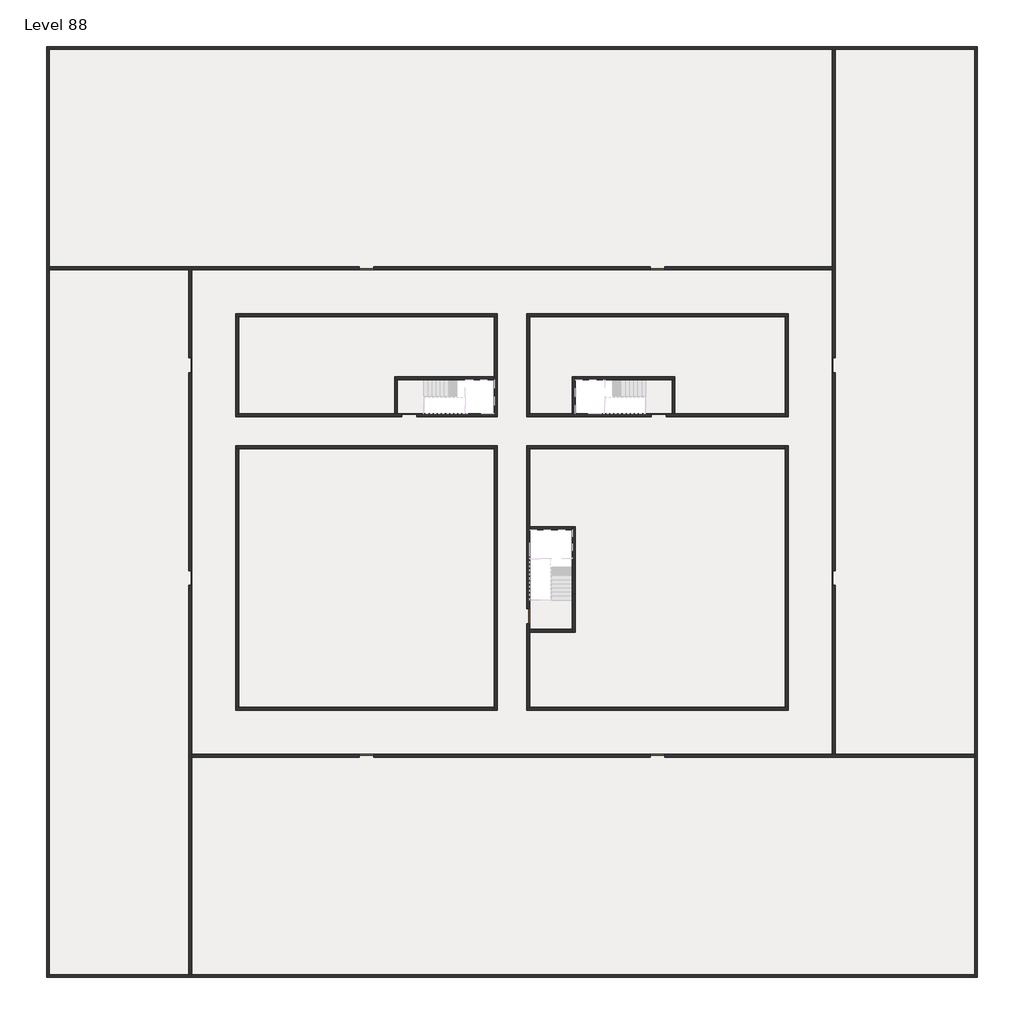
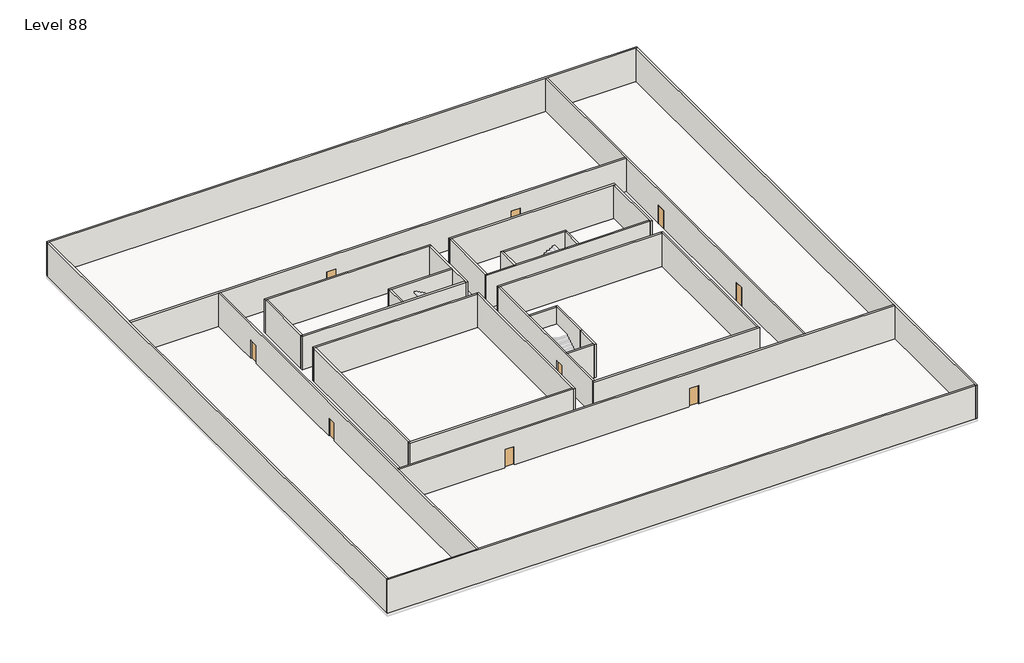
# One storey, part 1 of 2: 33 walls, 11 doors.
"""IFC4 building model written with IfcOpenShell, lengths in millimetres."""

import ifcopenshell
import ifcopenshell.guid

model = None  # the IFC model being written
_history = None  # IfcOwnerHistory: only IFC2X3 demands one
_inside = {}  # id of a spatial element -> (the spatial element, [elements in it])
_under = {}  # id of a project, library or spatial element -> (it, [spatial elements below it])
_declared = {}  # id of a project -> (the project, [libraries it declares])
_typed = {}  # id of a type object -> (the type object, [elements of that type])
_made_of = {}  # id of a material, layer set ... -> (it, [elements and type objects made of it])


def new_model(schema):
    """Start an empty IFC model of exactly this schema.

    Asked for "IFC4X3", IfcOpenShell would pick the latest addendum, in which some entities
    have other attributes; the version numbers below select the first issue.
    IFC2X3 requires an IfcOwnerHistory on every rooted entity: one is made here for all.
    """
    global model, _history
    if schema == "IFC4X3":
        model = ifcopenshell.file(schema_version=(4, 3, 0, 0))
    else:
        model = ifcopenshell.file(schema=schema)
    _inside.clear()
    _under.clear()
    _declared.clear()
    _typed.clear()
    _made_of.clear()
    _history = None
    if model.schema == "IFC2X3":
        org = make("IfcOrganization", Name="unknown")
        user = make(
            "IfcPersonAndOrganization",
            ThePerson=make("IfcPerson", FamilyName="unknown"),
            TheOrganization=org,
        )
        app = make(
            "IfcApplication",
            ApplicationDeveloper=org,
            Version="unknown",
            ApplicationFullName="unknown",
            ApplicationIdentifier="unknown",
        )
        _history = make(
            "IfcOwnerHistory",
            OwningUser=user,
            OwningApplication=app,
            ChangeAction="ADDED",
            CreationDate=0,
        )
    return model


def make(cls, **values):
    """One entity of the class cls with the attributes given. An attribute that is None is left unset."""
    return model.create_entity(
        cls, **{name: value for name, value in values.items() if value is not None}
    )


def rooted(cls, **values):
    """An entity with a GlobalId (a new one), such as an element, a storey or a relation."""
    return make(cls, GlobalId=ifcopenshell.guid.new(), OwnerHistory=_history, **values)


def si_unit(unit_type, name, prefix=None):
    """IfcSIUnit, for example si_unit("LENGTHUNIT", "METRE", prefix="MILLI")."""
    return make("IfcSIUnit", UnitType=unit_type, Prefix=prefix, Name=name)


def assignment(units):
    """IfcUnitAssignment: the units of a project."""
    return None if units is None else make("IfcUnitAssignment", Units=units)


def point(xyz):
    """IfcCartesianPoint."""
    return None if xyz is None else make("IfcCartesianPoint", Coordinates=xyz)


def direction(xyz):
    """IfcDirection."""
    return None if xyz is None else make("IfcDirection", DirectionRatios=xyz)


def frame(location, z_axis=None, x_axis=None):
    """IfcAxis2Placement3D, a coordinate frame: its origin and axes. An axis left out is left unset."""
    return make(
        "IfcAxis2Placement3D",
        Location=point(location),
        Axis=direction(z_axis),
        RefDirection=direction(x_axis),
    )


def origin():
    """The frame at (0, 0, 0) with its axes left unset."""
    return frame((0.0, 0.0, 0.0))


def origin_with_axes():
    """The frame at (0, 0, 0) with the z axis (0, 0, 1) and the x axis (1, 0, 0) written out."""
    return frame((0.0, 0.0, 0.0), z_axis=(0.0, 0.0, 1.0), x_axis=(1.0, 0.0, 0.0))


def place(relative_to, where):
    """IfcLocalPlacement: puts the frame where relative to a parent placement (None: the world)."""
    return make(
        "IfcLocalPlacement", PlacementRelTo=relative_to, RelativePlacement=where
    )


def context(
    kind, dimensions, precision=None, world=None, true_north=None, identifier=None
):
    """IfcGeometricRepresentationContext, for example the 3D "Model" context."""
    return make(
        "IfcGeometricRepresentationContext",
        ContextIdentifier=identifier,
        ContextType=kind,
        CoordinateSpaceDimension=dimensions,
        Precision=precision,
        WorldCoordinateSystem=world,
        TrueNorth=true_north,
    )


def project(units=None, contexts=None):
    """IfcProject with its units and contexts."""
    return rooted(
        "IfcProject",
        Name="project",
        RepresentationContexts=contexts,
        UnitsInContext=assignment(units),
    )


def spatial(cls, under=None, at=None, **own):
    """A site, building, storey or space (cls), placed at a placement, below another one or the project."""
    s = rooted(cls, ObjectPlacement=at, **own)
    if under is not None:
        _under.setdefault(under.id(), (under, []))[1].append(s)
    return s


def polyline(points):
    """IfcPolyline through the points."""
    return make("IfcPolyline", Points=[point(p) for p in points])


def outline(outer, holes=None, kind="AREA"):
    """IfcArbitraryClosedProfileDef: a profile drawn as a closed curve; with holes, ...WithVoids."""
    if holes is None:
        return make("IfcArbitraryClosedProfileDef", ProfileType=kind, OuterCurve=outer)
    return make(
        "IfcArbitraryProfileDefWithVoids",
        ProfileType=kind,
        OuterCurve=outer,
        InnerCurves=holes,
    )


def extrude(swept, where, along, depth):
    """IfcExtrudedAreaSolid: the profile swept, set in the frame where, extruded along a direction by depth."""
    return make(
        "IfcExtrudedAreaSolid",
        SweptArea=swept,
        Position=where,
        ExtrudedDirection=direction(along),
        Depth=depth,
    )


def faces_of(points, faces, orient=None, outer=None):
    """IfcFace entities. A face is a list of loops; a loop is a list of indices into points, from 0.

    orient and outer hold one flag for each loop. By default every Orientation is true, the
    first loop of a face is its IfcFaceOuterBound and the others are IfcFaceBound.
    """
    made = []
    for i, loops in enumerate(faces):
        bounds = []
        for j, loop in enumerate(loops):
            is_outer = j == 0 if outer is None else outer[i][j]
            bounds.append(
                make(
                    "IfcFaceOuterBound" if is_outer else "IfcFaceBound",
                    Bound=make("IfcPolyLoop", Polygon=[points[k] for k in loop]),
                    Orientation=True if orient is None else orient[i][j],
                )
            )
        made.append(make("IfcFace", Bounds=bounds))
    return made


def faceted_brep(points, faces, orient=None, outer=None, voids=None):
    """IfcFacetedBrep: a solid bounded by flat faces; with voids (closed shells), ...WithVoids."""
    shared = [point(p) for p in points]
    hull = make("IfcClosedShell", CfsFaces=faces_of(shared, faces, orient, outer))
    if voids is None:
        return make("IfcFacetedBrep", Outer=hull)
    return make(
        "IfcFacetedBrepWithVoids",
        Outer=hull,
        Voids=[
            make(cls, CfsFaces=faces_of(shared, fs, o, b)) for cls, fs, o, b in voids
        ],
    )


def shape(context_of_items, identifier, shape_type, items):
    """IfcShapeRepresentation: the items that make up one representation, for example the "Body"."""
    return make(
        "IfcShapeRepresentation",
        ContextOfItems=context_of_items,
        RepresentationIdentifier=identifier,
        RepresentationType=shape_type,
        Items=items,
    )


def source(mapping_origin, context_of_items, identifier, shape_type, items):
    """IfcRepresentationMap: a shape defined once, which mapped items show again and again."""
    return make(
        "IfcRepresentationMap",
        MappingOrigin=mapping_origin,
        MappedRepresentation=shape(context_of_items, identifier, shape_type, items),
    )


def transform(
    local_origin,
    x_axis=None,
    y_axis=None,
    z_axis=None,
    scale=None,
    scale2=None,
    scale3=None,
    uniform=True,
):
    """IfcCartesianTransformationOperator3D, or its non-uniform kind. x_axis, y_axis, z_axis: its Axis1, 2, 3."""
    if uniform:
        return make(
            "IfcCartesianTransformationOperator3D",
            Axis1=direction(x_axis),
            Axis2=direction(y_axis),
            LocalOrigin=point(local_origin),
            Scale=scale,
            Axis3=direction(z_axis),
        )
    return make(
        "IfcCartesianTransformationOperator3DnonUniform",
        Axis1=direction(x_axis),
        Axis2=direction(y_axis),
        LocalOrigin=point(local_origin),
        Scale=scale,
        Axis3=direction(z_axis),
        Scale2=scale2,
        Scale3=scale3,
    )


def mapped(mapping_source, mapping_target):
    """IfcMappedItem: shows the shape of a source again, moved by a transform."""
    return make(
        "IfcMappedItem", MappingSource=mapping_source, MappingTarget=mapping_target
    )


def made_of(thing, what):
    """Note that an element or type object is made of a material, layer set ...; save() writes the relation."""
    if what is not None:
        _made_of.setdefault(what.id(), (what, []))[1].append(thing)
    return thing


def element(
    cls,
    number,
    at=None,
    inside=None,
    cuts=None,
    type_object=None,
    material=None,
    context=None,
    identifier="Body",
    shape_type=None,
    held_by="IfcProductDefinitionShape",
    body=None,
    shapes=None,
    **own,
):
    """One element of the class cls, such as IfcWall. Its Tag is "e" and its number.

    at: its placement. inside: the storey or other place that contains it. cuts: it is an
    opening in that element (IfcRelVoidsElement). A single representation is given by context,
    identifier, shape_type and body (its items); several are given by shapes. held_by: the class
    of the entity that holds the representations. save() writes the other relations.
    """
    e = rooted(cls, Tag="e%d" % number, ObjectPlacement=at, **own)
    if body is not None:
        shapes = [shape(context, identifier, shape_type, body)]
    if shapes is not None:
        e.Representation = make(held_by, Representations=shapes)
    if inside is not None:
        _inside.setdefault(inside.id(), (inside, []))[1].append(e)
    if cuts is not None:
        rooted(
            "IfcRelVoidsElement", RelatingBuildingElement=cuts, RelatedOpeningElement=e
        )
    if type_object is not None:
        _typed.setdefault(type_object.id(), (type_object, []))[1].append(e)
    return made_of(e, material)


def aggregate(whole, parts):
    """IfcRelAggregates: a whole, such as a stair, and the parts it consists of."""
    return rooted("IfcRelAggregates", RelatingObject=whole, RelatedObjects=parts)


def save(model, path):
    """Write the relations noted so far, then the file.

    IfcRelAggregates (storeys below a building ...), IfcRelContainedInSpatialStructure (elements
    in a storey), IfcRelDefinesByType, IfcRelAssociatesMaterial and IfcRelDeclares: one each for
    every whole, place, type object, material and project.
    """
    for whole, parts in _under.values():
        aggregate(whole, parts)
    for where, things in _inside.values():
        rooted(
            "IfcRelContainedInSpatialStructure",
            RelatedElements=things,
            RelatingStructure=where,
        )
    for kind, things in _typed.values():
        rooted("IfcRelDefinesByType", RelatedObjects=things, RelatingType=kind)
    for what, things in _made_of.values():
        rooted("IfcRelAssociatesMaterial", RelatedObjects=things, RelatingMaterial=what)
    for by, libraries in _declared.values():
        rooted("IfcRelDeclares", RelatingContext=by, RelatedDefinitions=libraries)
    model.write(path)


def door_fb3c37fd(model_context):
    return source(origin(), model_context, "Body", "SweptSolid", [
        extrude(outline(polyline([(500.0, 49.0), (-500.0, 49.0), (-500.0, 100.0), (500.0, 100.0), (500.0, 49.0)])), origin_with_axes(), (0.0, 0.0, 1.0), 2100.0),
    ])


def door_0317a72c(model_context):
    return source(origin(), model_context, "Body", "SweptSolid", [
        extrude(outline(polyline([(500.0, -49.0), (500.0, -100.0), (-500.0, -100.0), (-500.0, -49.0), (500.0, -49.0)])), origin_with_axes(), (0.0, 0.0, 1.0), 2100.0),
    ])


model = new_model("IFC4")

# Units and contexts
model_context = context("Model", 3, world=origin())
ifc_project = project(units=[si_unit("LENGTHUNIT", "METRE", prefix="MILLI")], contexts=[model_context])

# Site, building, storey
site = spatial("IfcSite", under=ifc_project)
building = spatial("IfcBuilding", under=site)
storey = spatial("IfcBuildingStorey", under=building, Name="Level 88", Elevation=330600.0)

# Doors
placement = place(None, origin())
door_shape = door_fb3c37fd(model_context)
element("IfcDoor", 1, at=placement, inside=storey, context=model_context, shape_type="MappedRepresentation", body=[
    mapped(door_shape, transform((34190.1058784, -30618.09644, 330600.0), x_axis=(1.0, 0.0, 0.0), y_axis=(0.0, 1.0, 0.0), z_axis=(0.0, 0.0, 1.0))),
])
element("IfcDoor", 2, at=placement, inside=storey, context=model_context, shape_type="MappedRepresentation", body=[
    mapped(door_shape, transform((25290.1058784, -44318.09644, 330600.0), x_axis=(0.0, -1.0, 0.0), y_axis=(1.0, 0.0, 0.0), z_axis=(0.0, 0.0, 1.0))),
])
element("IfcDoor", 3, at=placement, inside=storey, context=model_context, shape_type="MappedRepresentation", body=[
    mapped(door_shape, transform((2290.1058784, -41718.09644, 330600.0), x_axis=(0.0, -1.0, 0.0), y_axis=(1.0, 0.0, 0.0), z_axis=(0.0, 0.0, 1.0))),
])
element("IfcDoor", 4, at=placement, inside=storey, context=model_context, shape_type="MappedRepresentation", body=[
    mapped(door_shape, transform((2290.1058784, -27218.09644, 330600.0), x_axis=(0.0, -1.0, 0.0), y_axis=(1.0, 0.0, 0.0), z_axis=(0.0, 0.0, 1.0))),
])
element("IfcDoor", 5, at=placement, inside=storey, context=model_context, shape_type="MappedRepresentation", body=[
    mapped(door_shape, transform((14290.1058784, -20618.09644, 330600.0), x_axis=(-1.0, 0.0, 0.0), y_axis=(0.0, -1.0, 0.0), z_axis=(0.0, 0.0, 1.0))),
])
element("IfcDoor", 6, at=placement, inside=storey, context=model_context, shape_type="MappedRepresentation", body=[
    mapped(door_shape, transform((34090.1058784, -20618.09644, 330600.0), x_axis=(-1.0, 0.0, 0.0), y_axis=(0.0, -1.0, 0.0), z_axis=(0.0, 0.0, 1.0))),
])
element("IfcDoor", 7, at=placement, inside=storey, context=model_context, shape_type="MappedRepresentation", body=[
    mapped(door_shape, transform((46090.1058784, -27218.09644, 330600.0), x_axis=(0.0, 1.0, 0.0), y_axis=(-1.0, 0.0, 0.0), z_axis=(0.0, 0.0, 1.0))),
])
element("IfcDoor", 8, at=placement, inside=storey, context=model_context, shape_type="MappedRepresentation", body=[
    mapped(door_shape, transform((46090.1058784, -41718.09644, 330600.0), x_axis=(0.0, 1.0, 0.0), y_axis=(-1.0, 0.0, 0.0), z_axis=(0.0, 0.0, 1.0))),
])
element("IfcDoor", 9, at=placement, inside=storey, context=model_context, shape_type="MappedRepresentation", body=[
    mapped(door_shape, transform((34090.1058784, -53818.09644, 330600.0), x_axis=(1.0, 0.0, 0.0), y_axis=(0.0, 1.0, 0.0), z_axis=(0.0, 0.0, 1.0))),
])
element("IfcDoor", 10, at=placement, inside=storey, context=model_context, shape_type="MappedRepresentation", body=[
    mapped(door_shape, transform((14290.1058784, -53818.09644, 330600.0), x_axis=(1.0, 0.0, 0.0), y_axis=(0.0, 1.0, 0.0), z_axis=(0.0, 0.0, 1.0))),
])
door_2_shape = door_0317a72c(model_context)
element("IfcDoor", 11, at=placement, inside=storey, context=model_context, shape_type="MappedRepresentation", body=[
    mapped(door_2_shape, transform((17190.1058784, -30618.09644, 330600.0), x_axis=(-1.0, 0.0, 0.0), y_axis=(0.0, -1.0, 0.0), z_axis=(0.0, 0.0, 1.0))),
])

# Walls
element("IfcWall", 12, at=placement, inside=storey, context=model_context, shape_type="Brep", body=[
    faceted_brep([(-7509.8941216, -5718.09644, 330600.0), (-7309.8941216, -5718.09644, 330600.0), (45990.1058784, -5718.09644, 330600.0), (46190.1058784, -5718.09644, 330600.0), (55690.1058784, -5718.09644, 330600.0), (55890.1058784, -5718.09644, 330600.0), (55890.1058784, -5718.09644, 334400.0), (55690.1058784, -5718.09644, 334400.0), (46190.1058784, -5718.09644, 334400.0), (45990.1058784, -5718.09644, 334400.0), (-7309.8941216, -5718.09644, 334400.0), (-7509.8941216, -5718.09644, 334400.0), (-7509.8941216, -5518.09644, 330600.0), (-7509.8941216, -5518.09644, 334400.0), (55890.1058784, -5518.09644, 334400.0), (55890.1058784, -5518.09644, 330600.0)], [[[0, 1, 2, 3, 4, 5, 6, 7, 8, 9, 10, 11]], [[12, 13, 14, 15]], [[5, 4, 3, 2, 1, 0, 12, 15]], [[11, 10, 9, 8, 7, 6, 14, 13]], [[0, 11, 13, 12]], [[6, 5, 15, 14]]]),
])
element("IfcWall", 13, at=placement, inside=storey, context=model_context, shape_type="Brep", body=[
    faceted_brep([(55690.1058784, -5718.09644, 330600.0), (55690.1058784, -53718.09644, 330600.0), (55690.1058784, -53918.09644, 330600.0), (55690.1058784, -68718.09644, 330600.0), (55690.1058784, -68918.09644, 330600.0), (55690.1058784, -68918.09644, 334400.0), (55690.1058784, -68718.09644, 334400.0), (55690.1058784, -53918.09644, 334400.0), (55690.1058784, -53718.09644, 334400.0), (55690.1058784, -5718.09644, 334400.0), (55890.1058784, -5718.09644, 330600.0), (55890.1058784, -5718.09644, 334400.0), (55890.1058784, -68918.09644, 334400.0), (55890.1058784, -68918.09644, 330600.0)], [[[0, 1, 2, 3, 4, 5, 6, 7, 8, 9]], [[10, 11, 12, 13]], [[4, 3, 2, 1, 0, 10, 13]], [[9, 8, 7, 6, 5, 12, 11]], [[5, 4, 13, 12]], [[0, 9, 11, 10]]]),
])
element("IfcWall", 14, at=placement, inside=storey, context=model_context, shape_type="Brep", body=[
    faceted_brep([(55690.1058784, -68718.09644, 330600.0), (2390.1058784, -68718.09644, 330600.0), (2190.1058784, -68718.09644, 330600.0), (-7309.8941216, -68718.09644, 330600.0), (-7509.8941216, -68718.09644, 330600.0), (-7509.8941216, -68718.09644, 334400.0), (-7309.8941216, -68718.09644, 334400.0), (2190.1058784, -68718.09644, 334400.0), (2390.1058784, -68718.09644, 334400.0), (55690.1058784, -68718.09644, 334400.0), (55690.1058784, -68918.09644, 330600.0), (55690.1058784, -68918.09644, 334400.0), (-7509.8941216, -68918.09644, 334400.0), (-7509.8941216, -68918.09644, 330600.0)], [[[0, 1, 2, 3, 4, 5, 6, 7, 8, 9]], [[10, 11, 12, 13]], [[4, 3, 2, 1, 0, 10, 13]], [[9, 8, 7, 6, 5, 12, 11]], [[5, 4, 13, 12]], [[0, 9, 11, 10]]]),
])
element("IfcWall", 15, at=placement, inside=storey, context=model_context, shape_type="Brep", body=[
    faceted_brep([(-7309.8941216, -68718.09644, 330600.0), (-7309.8941216, -20718.09644, 330600.0), (-7309.8941216, -20518.09644, 330600.0), (-7309.8941216, -5718.09644, 330600.0), (-7309.8941216, -5718.09644, 334400.0), (-7309.8941216, -20518.09644, 334400.0), (-7309.8941216, -20718.09644, 334400.0), (-7309.8941216, -68718.09644, 334400.0), (-7509.8941216, -68718.09644, 330600.0), (-7509.8941216, -68718.09644, 334400.0), (-7509.8941216, -5718.09644, 334400.0), (-7509.8941216, -5718.09644, 330600.0)], [[[0, 1, 2, 3, 4, 5, 6, 7]], [[8, 9, 10, 11]], [[3, 2, 1, 0, 8, 11]], [[7, 6, 5, 4, 10, 9]], [[0, 7, 9, 8]], [[4, 3, 11, 10]]]),
])
element("IfcWall", 16, at=placement, inside=storey, context=model_context, shape_type="Brep", body=[
    faceted_brep([(5390.1058784, -23918.09644, 330600.0), (5590.1058784, -23918.09644, 330600.0), (22990.1058784, -23918.09644, 330600.0), (23190.1058784, -23918.09644, 330600.0), (23190.1058784, -23918.09644, 334400.0), (22990.1058784, -23918.09644, 334400.0), (5590.1058784, -23918.09644, 334400.0), (5390.1058784, -23918.09644, 334400.0), (5390.1058784, -23718.09644, 330600.0), (5390.1058784, -23718.09644, 334400.0), (23190.1058784, -23718.09644, 334400.0), (23190.1058784, -23718.09644, 330600.0)], [[[0, 1, 2, 3, 4, 5, 6, 7]], [[8, 9, 10, 11]], [[3, 2, 1, 0, 8, 11]], [[7, 6, 5, 4, 10, 9]], [[4, 3, 11, 10]], [[0, 7, 9, 8]]]),
])
element("IfcWall", 17, at=placement, inside=storey, context=model_context, shape_type="Brep", body=[
    faceted_brep([(22990.1058784, -23918.09644, 330600.0), (22990.1058784, -28018.09644, 330600.0), (22990.1058784, -28218.09644, 330600.0), (22990.1058784, -30518.09644, 330600.0), (22990.1058784, -30718.09644, 330600.0), (22990.1058784, -30718.09644, 334400.0), (22990.1058784, -30518.09644, 334400.0), (22990.1058784, -28218.09644, 334400.0), (22990.1058784, -28018.09644, 334400.0), (22990.1058784, -23918.09644, 334400.0), (23190.1058784, -23918.09644, 330600.0), (23190.1058784, -23918.09644, 334400.0), (23190.1058784, -30718.09644, 334400.0), (23190.1058784, -30718.09644, 330600.0)], [[[0, 1, 2, 3, 4, 5, 6, 7, 8, 9]], [[10, 11, 12, 13]], [[4, 3, 2, 1, 0, 10, 13]], [[9, 8, 7, 6, 5, 12, 11]], [[0, 9, 11, 10]], [[5, 4, 13, 12]]]),
])
element("IfcWall", 18, at=placement, inside=storey, context=model_context, shape_type="Brep", body=[
    faceted_brep([(25190.1058784, -44818.09644, 332700.0), (25190.1058784, -44818.09644, 330600.0), (25190.1058784, -50518.09644, 330600.0), (25190.1058784, -50518.09644, 334400.0), (25190.1058784, -32918.09644, 334400.0), (25190.1058784, -32918.09644, 330600.0), (25190.1058784, -43818.09644, 330600.0), (25190.1058784, -43818.09644, 332700.0), (25390.1058784, -50518.09644, 330600.0), (25390.1058784, -45418.09644, 330600.0), (25390.1058784, -45218.09644, 330600.0), (25390.1058784, -44818.09644, 330600.0), (25390.1058784, -44818.09644, 332700.0), (25390.1058784, -43818.09644, 332700.0), (25390.1058784, -43818.09644, 330600.0), (25390.1058784, -38418.09644, 330600.0), (25390.1058784, -38218.09644, 330600.0), (25390.1058784, -32918.09644, 330600.0), (25390.1058784, -32918.09644, 334400.0), (25390.1058784, -38218.09644, 334400.0), (25390.1058784, -38418.09644, 334400.0), (25390.1058784, -45218.09644, 334400.0), (25390.1058784, -45418.09644, 334400.0), (25390.1058784, -50518.09644, 334400.0)], [[[0, 1, 2, 3, 4, 5, 6, 7]], [[8, 9, 10, 11, 12, 13, 14, 15, 16, 17, 18, 19, 20, 21, 22, 23]], [[6, 5, 17, 16, 15, 14]], [[2, 1, 11, 10, 9, 8]], [[4, 3, 23, 22, 21, 20, 19, 18]], [[12, 11, 1, 0]], [[13, 12, 0, 7]], [[14, 13, 7, 6]], [[5, 4, 18, 17]], [[3, 2, 8, 23]]]),
])
element("IfcWall", 19, at=placement, inside=storey, context=model_context, shape_type="Brep", body=[
    faceted_brep([(22990.1058784, -32718.09644, 330600.0), (22990.1058784, -32918.09644, 330600.0), (22990.1058784, -50518.09644, 330600.0), (22990.1058784, -50718.09644, 330600.0), (22990.1058784, -50718.09644, 334400.0), (22990.1058784, -50518.09644, 334400.0), (22990.1058784, -32918.09644, 334400.0), (22990.1058784, -32718.09644, 334400.0), (23190.1058784, -32718.09644, 330600.0), (23190.1058784, -32718.09644, 334400.0), (23190.1058784, -50718.09644, 334400.0), (23190.1058784, -50718.09644, 330600.0)], [[[0, 1, 2, 3, 4, 5, 6, 7]], [[8, 9, 10, 11]], [[3, 2, 1, 0, 8, 11]], [[7, 6, 5, 4, 10, 9]], [[4, 3, 11, 10]], [[0, 7, 9, 8]]]),
])
element("IfcWall", 20, at=placement, inside=storey, context=model_context, shape_type="Brep", body=[
    faceted_brep([(22990.1058784, -50518.09644, 330600.0), (5590.1058784, -50518.09644, 330600.0), (5390.1058784, -50518.09644, 330600.0), (5390.1058784, -50518.09644, 334400.0), (5590.1058784, -50518.09644, 334400.0), (22990.1058784, -50518.09644, 334400.0), (22990.1058784, -50718.09644, 330600.0), (22990.1058784, -50718.09644, 334400.0), (5390.1058784, -50718.09644, 334400.0), (5390.1058784, -50718.09644, 330600.0)], [[[0, 1, 2, 3, 4, 5]], [[6, 7, 8, 9]], [[2, 1, 0, 6, 9]], [[5, 4, 3, 8, 7]], [[0, 5, 7, 6]], [[3, 2, 9, 8]]]),
])
element("IfcWall", 21, at=placement, inside=storey, context=model_context, shape_type="Brep", body=[
    faceted_brep([(28290.1058784, -42818.09644, 330600.0), (28290.1058784, -45218.09644, 330600.0), (28290.1058784, -45418.09644, 330600.0), (28290.1058784, -45418.09644, 334400.0), (28290.1058784, -45218.09644, 334400.0), (28290.1058784, -42818.09644, 334400.0), (28490.1058784, -42818.09644, 330600.0), (28490.1058784, -42818.09644, 334400.0), (28490.1058784, -45418.09644, 334400.0), (28490.1058784, -45418.09644, 330600.0)], [[[0, 1, 2, 3, 4, 5]], [[6, 7, 8, 9]], [[2, 1, 0, 6, 9]], [[5, 4, 3, 8, 7]], [[0, 5, 7, 6]], [[3, 2, 9, 8]]]),
])
element("IfcWall", 22, at=placement, inside=storey, context=model_context, shape_type="SweptSolid", body=[
    extrude(outline(polyline([(5390.1058784, -30518.09644), (5390.1058784, -23918.09644), (5590.1058784, -23918.09644), (5590.1058784, -30518.09644), (5390.1058784, -30518.09644)])), frame((0.0, 0.0, 330600.0), z_axis=(0.0, 0.0, 1.0), x_axis=(1.0, 0.0, 0.0)), (0.0, 0.0, 1.0), 3800.0),
])
element("IfcWall", 23, at=placement, inside=storey, context=model_context, shape_type="Brep", body=[
    faceted_brep([(5390.1058784, -30718.09644, 330600.0), (16690.1058784, -30718.09644, 330600.0), (16690.1058784, -30718.09644, 332700.0), (17690.1058784, -30718.09644, 332700.0), (17690.1058784, -30718.09644, 330600.0), (22990.1058784, -30718.09644, 330600.0), (22990.1058784, -30718.09644, 334400.0), (5390.1058784, -30718.09644, 334400.0), (16690.1058784, -30518.09644, 332700.0), (16690.1058784, -30518.09644, 330600.0), (16390.1058784, -30518.09644, 330600.0), (16190.1058784, -30518.09644, 330600.0), (5590.1058784, -30518.09644, 330600.0), (5390.1058784, -30518.09644, 330600.0), (5390.1058784, -30518.09644, 334400.0), (5590.1058784, -30518.09644, 334400.0), (16190.1058784, -30518.09644, 334400.0), (16390.1058784, -30518.09644, 334400.0), (22990.1058784, -30518.09644, 334400.0), (22990.1058784, -30518.09644, 330600.0), (17690.1058784, -30518.09644, 330600.0), (17690.1058784, -30518.09644, 332700.0)], [[[0, 1, 2, 3, 4, 5, 6, 7]], [[8, 9, 10, 11, 12, 13, 14, 15, 16, 17, 18, 19, 20, 21]], [[20, 19, 5, 4]], [[13, 12, 11, 10, 9, 1, 0]], [[7, 6, 18, 17, 16, 15, 14]], [[2, 1, 9, 8]], [[3, 2, 8, 21]], [[4, 3, 21, 20]], [[0, 7, 14, 13]], [[6, 5, 19, 18]]]),
])
element("IfcWall", 24, at=placement, inside=storey, context=model_context, shape_type="Brep", body=[
    faceted_brep([(28490.1058784, -42818.09644, 330600.0), (28490.1058784, -38218.09644, 330600.0), (28490.1058784, -38218.09644, 334400.0), (28490.1058784, -42818.09644, 334400.0), (28290.1058784, -42818.09644, 330600.0), (28290.1058784, -42818.09644, 334400.0), (28290.1058784, -38418.09644, 334400.0), (28290.1058784, -38218.09644, 334400.0), (28290.1058784, -38218.09644, 330600.0), (28290.1058784, -38418.09644, 330600.0)], [[[0, 1, 2, 3]], [[4, 5, 6, 7, 8, 9]], [[1, 0, 4, 9, 8]], [[3, 2, 7, 6, 5]], [[0, 3, 5, 4]], [[2, 1, 8, 7]]]),
])
element("IfcWall", 25, at=placement, inside=storey, context=model_context, shape_type="SweptSolid", body=[
    extrude(outline(polyline([(25390.1058784, -38218.09644), (28290.1058784, -38218.09644), (28290.1058784, -38418.09644), (25390.1058784, -38418.09644), (25390.1058784, -38218.09644)])), frame((0.0, 0.0, 330600.0), z_axis=(0.0, 0.0, 1.0), x_axis=(1.0, 0.0, 0.0)), (0.0, 0.0, 1.0), 3800.0),
])
element("IfcWall", 26, at=placement, inside=storey, context=model_context, shape_type="SweptSolid", body=[
    extrude(outline(polyline([(28290.1058784, -45418.09644), (25390.1058784, -45418.09644), (25390.1058784, -45218.09644), (28290.1058784, -45218.09644), (28290.1058784, -45418.09644)])), frame((0.0, 0.0, 330600.0), z_axis=(0.0, 0.0, 1.0), x_axis=(1.0, 0.0, 0.0)), (0.0, 0.0, 1.0), 3800.0),
])
element("IfcWall", 27, at=placement, inside=storey, context=model_context, shape_type="Brep", body=[
    faceted_brep([(5390.1058784, -32918.09644, 330600.0), (5590.1058784, -32918.09644, 330600.0), (22990.1058784, -32918.09644, 330600.0), (22990.1058784, -32918.09644, 334400.0), (5590.1058784, -32918.09644, 334400.0), (5390.1058784, -32918.09644, 334400.0), (5390.1058784, -32718.09644, 330600.0), (5390.1058784, -32718.09644, 334400.0), (22990.1058784, -32718.09644, 334400.0), (22990.1058784, -32718.09644, 330600.0)], [[[0, 1, 2, 3, 4, 5]], [[6, 7, 8, 9]], [[2, 1, 0, 6, 9]], [[5, 4, 3, 8, 7]], [[3, 2, 9, 8]], [[0, 5, 7, 6]]]),
])
element("IfcWall", 28, at=placement, inside=storey, context=model_context, shape_type="SweptSolid", body=[
    extrude(outline(polyline([(5390.1058784, -50518.09644), (5390.1058784, -32918.09644), (5590.1058784, -32918.09644), (5590.1058784, -50518.09644), (5390.1058784, -50518.09644)])), frame((0.0, 0.0, 330600.0), z_axis=(0.0, 0.0, 1.0), x_axis=(1.0, 0.0, 0.0)), (0.0, 0.0, 1.0), 3800.0),
])
element("IfcWall", 29, at=placement, inside=storey, context=model_context, shape_type="Brep", body=[
    faceted_brep([(25190.1058784, -50718.09644, 330600.0), (42990.1058784, -50718.09644, 330600.0), (42990.1058784, -50718.09644, 334400.0), (25190.1058784, -50718.09644, 334400.0), (25190.1058784, -50518.09644, 330600.0), (25190.1058784, -50518.09644, 334400.0), (25390.1058784, -50518.09644, 334400.0), (42790.1058784, -50518.09644, 334400.0), (42990.1058784, -50518.09644, 334400.0), (42990.1058784, -50518.09644, 330600.0), (42790.1058784, -50518.09644, 330600.0), (25390.1058784, -50518.09644, 330600.0)], [[[0, 1, 2, 3]], [[4, 5, 6, 7, 8, 9, 10, 11]], [[1, 0, 4, 11, 10, 9]], [[3, 2, 8, 7, 6, 5]], [[2, 1, 9, 8]], [[0, 3, 5, 4]]]),
])
element("IfcWall", 30, at=placement, inside=storey, context=model_context, shape_type="Brep", body=[
    faceted_brep([(42990.1058784, -50518.09644, 330600.0), (42990.1058784, -32718.09644, 330600.0), (42990.1058784, -32718.09644, 334400.0), (42990.1058784, -50518.09644, 334400.0), (42790.1058784, -50518.09644, 330600.0), (42790.1058784, -50518.09644, 334400.0), (42790.1058784, -32918.09644, 334400.0), (42790.1058784, -32718.09644, 334400.0), (42790.1058784, -32718.09644, 330600.0), (42790.1058784, -32918.09644, 330600.0)], [[[0, 1, 2, 3]], [[4, 5, 6, 7, 8, 9]], [[1, 0, 4, 9, 8]], [[3, 2, 7, 6, 5]], [[0, 3, 5, 4]], [[2, 1, 8, 7]]]),
])
element("IfcWall", 31, at=placement, inside=storey, context=model_context, shape_type="Brep", body=[
    faceted_brep([(42790.1058784, -32718.09644, 330600.0), (25190.1058784, -32718.09644, 330600.0), (25190.1058784, -32718.09644, 334400.0), (42790.1058784, -32718.09644, 334400.0), (42790.1058784, -32918.09644, 330600.0), (42790.1058784, -32918.09644, 334400.0), (25390.1058784, -32918.09644, 334400.0), (25190.1058784, -32918.09644, 334400.0), (25190.1058784, -32918.09644, 330600.0), (25390.1058784, -32918.09644, 330600.0)], [[[0, 1, 2, 3]], [[4, 5, 6, 7, 8, 9]], [[1, 0, 4, 9, 8]], [[3, 2, 7, 6, 5]], [[0, 3, 5, 4]], [[2, 1, 8, 7]]]),
])
element("IfcWall", 32, at=placement, inside=storey, context=model_context, shape_type="Brep", body=[
    faceted_brep([(25190.1058784, -23918.09644, 330600.0), (25390.1058784, -23918.09644, 330600.0), (42790.1058784, -23918.09644, 330600.0), (42990.1058784, -23918.09644, 330600.0), (42990.1058784, -23918.09644, 334400.0), (42790.1058784, -23918.09644, 334400.0), (25390.1058784, -23918.09644, 334400.0), (25190.1058784, -23918.09644, 334400.0), (25190.1058784, -23718.09644, 330600.0), (25190.1058784, -23718.09644, 334400.0), (42990.1058784, -23718.09644, 334400.0), (42990.1058784, -23718.09644, 330600.0)], [[[0, 1, 2, 3, 4, 5, 6, 7]], [[8, 9, 10, 11]], [[3, 2, 1, 0, 8, 11]], [[7, 6, 5, 4, 10, 9]], [[0, 7, 9, 8]], [[4, 3, 11, 10]]]),
])
element("IfcWall", 33, at=placement, inside=storey, context=model_context, shape_type="Brep", body=[
    faceted_brep([(42790.1058784, -23918.09644, 330600.0), (42790.1058784, -30518.09644, 330600.0), (42790.1058784, -30718.09644, 330600.0), (42790.1058784, -30718.09644, 334400.0), (42790.1058784, -30518.09644, 334400.0), (42790.1058784, -23918.09644, 334400.0), (42990.1058784, -23918.09644, 330600.0), (42990.1058784, -23918.09644, 334400.0), (42990.1058784, -30718.09644, 334400.0), (42990.1058784, -30718.09644, 330600.0)], [[[0, 1, 2, 3, 4, 5]], [[6, 7, 8, 9]], [[2, 1, 0, 6, 9]], [[5, 4, 3, 8, 7]], [[0, 5, 7, 6]], [[3, 2, 9, 8]]]),
])
element("IfcWall", 34, at=placement, inside=storey, context=model_context, shape_type="Brep", body=[
    faceted_brep([(42790.1058784, -30518.09644, 330600.0), (35290.1058784, -30518.09644, 330600.0), (35090.1058784, -30518.09644, 330600.0), (34690.1058784, -30518.09644, 330600.0), (34690.1058784, -30518.09644, 332700.0), (33690.1058784, -30518.09644, 332700.0), (33690.1058784, -30518.09644, 330600.0), (28490.1058784, -30518.09644, 330600.0), (28290.1058784, -30518.09644, 330600.0), (25390.1058784, -30518.09644, 330600.0), (25190.1058784, -30518.09644, 330600.0), (25190.1058784, -30518.09644, 334400.0), (25390.1058784, -30518.09644, 334400.0), (28290.1058784, -30518.09644, 334400.0), (28490.1058784, -30518.09644, 334400.0), (35090.1058784, -30518.09644, 334400.0), (35290.1058784, -30518.09644, 334400.0), (42790.1058784, -30518.09644, 334400.0), (34690.1058784, -30718.09644, 332700.0), (34690.1058784, -30718.09644, 330600.0), (42790.1058784, -30718.09644, 330600.0), (42790.1058784, -30718.09644, 334400.0), (25190.1058784, -30718.09644, 334400.0), (25190.1058784, -30718.09644, 330600.0), (33690.1058784, -30718.09644, 330600.0), (33690.1058784, -30718.09644, 332700.0)], [[[0, 1, 2, 3, 4, 5, 6, 7, 8, 9, 10, 11, 12, 13, 14, 15, 16, 17]], [[18, 19, 20, 21, 22, 23, 24, 25]], [[24, 23, 10, 9, 8, 7, 6]], [[20, 19, 3, 2, 1, 0]], [[17, 16, 15, 14, 13, 12, 11, 22, 21]], [[4, 3, 19, 18]], [[5, 4, 18, 25]], [[6, 5, 25, 24]], [[11, 10, 23, 22]], [[0, 17, 21, 20]]]),
])
element("IfcWall", 35, at=placement, inside=storey, context=model_context, shape_type="SweptSolid", body=[
    extrude(outline(polyline([(25390.1058784, -23918.09644), (25390.1058784, -30518.09644), (25190.1058784, -30518.09644), (25190.1058784, -23918.09644), (25390.1058784, -23918.09644)])), frame((0.0, 0.0, 330600.0), z_axis=(0.0, 0.0, 1.0), x_axis=(1.0, 0.0, 0.0)), (0.0, 0.0, 1.0), 3800.0),
])
element("IfcWall", 36, at=placement, inside=storey, context=model_context, shape_type="Brep", body=[
    faceted_brep([(28490.1058784, -30518.09644, 330600.0), (28490.1058784, -28218.09644, 330600.0), (28490.1058784, -28018.09644, 330600.0), (28490.1058784, -28018.09644, 334400.0), (28490.1058784, -28218.09644, 334400.0), (28490.1058784, -30518.09644, 334400.0), (28290.1058784, -30518.09644, 330600.0), (28290.1058784, -30518.09644, 334400.0), (28290.1058784, -28018.09644, 334400.0), (28290.1058784, -28018.09644, 330600.0)], [[[0, 1, 2, 3, 4, 5]], [[6, 7, 8, 9]], [[2, 1, 0, 6, 9]], [[5, 4, 3, 8, 7]], [[3, 2, 9, 8]], [[0, 5, 7, 6]]]),
])
element("IfcWall", 37, at=placement, inside=storey, context=model_context, shape_type="Brep", body=[
    faceted_brep([(28490.1058784, -28218.09644, 330600.0), (35090.1058784, -28218.09644, 330600.0), (35290.1058784, -28218.09644, 330600.0), (35290.1058784, -28218.09644, 334400.0), (35090.1058784, -28218.09644, 334400.0), (28490.1058784, -28218.09644, 334400.0), (28490.1058784, -28018.09644, 330600.0), (28490.1058784, -28018.09644, 334400.0), (35290.1058784, -28018.09644, 334400.0), (35290.1058784, -28018.09644, 330600.0)], [[[0, 1, 2, 3, 4, 5]], [[6, 7, 8, 9]], [[2, 1, 0, 6, 9]], [[5, 4, 3, 8, 7]], [[0, 5, 7, 6]], [[3, 2, 9, 8]]]),
])
element("IfcWall", 38, at=placement, inside=storey, context=model_context, shape_type="SweptSolid", body=[
    extrude(outline(polyline([(35090.1058784, -30518.09644), (35090.1058784, -28218.09644), (35290.1058784, -28218.09644), (35290.1058784, -30518.09644), (35090.1058784, -30518.09644)])), frame((0.0, 0.0, 330600.0), z_axis=(0.0, 0.0, 1.0), x_axis=(1.0, 0.0, 0.0)), (0.0, 0.0, 1.0), 3800.0),
])
element("IfcWall", 39, at=placement, inside=storey, context=model_context, shape_type="Brep", body=[
    faceted_brep([(22990.1058784, -28018.09644, 330600.0), (16190.1058784, -28018.09644, 330600.0), (16190.1058784, -28018.09644, 334400.0), (22990.1058784, -28018.09644, 334400.0), (22990.1058784, -28218.09644, 330600.0), (22990.1058784, -28218.09644, 334400.0), (16390.1058784, -28218.09644, 334400.0), (16190.1058784, -28218.09644, 334400.0), (16190.1058784, -28218.09644, 330600.0), (16390.1058784, -28218.09644, 330600.0)], [[[0, 1, 2, 3]], [[4, 5, 6, 7, 8, 9]], [[1, 0, 4, 9, 8]], [[3, 2, 7, 6, 5]], [[0, 3, 5, 4]], [[2, 1, 8, 7]]]),
])
element("IfcWall", 40, at=placement, inside=storey, context=model_context, shape_type="SweptSolid", body=[
    extrude(outline(polyline([(16190.1058784, -30518.09644), (16190.1058784, -28218.09644), (16390.1058784, -28218.09644), (16390.1058784, -30518.09644), (16190.1058784, -30518.09644)])), frame((0.0, 0.0, 330600.0), z_axis=(0.0, 0.0, 1.0), x_axis=(1.0, 0.0, 0.0)), (0.0, 0.0, 1.0), 3800.0),
])
element("IfcWall", 41, at=placement, inside=storey, context=model_context, shape_type="Brep", body=[
    faceted_brep([(14790.1058784, -20718.09644, 330600.0), (33590.1058784, -20718.09644, 330600.0), (33590.1058784, -20718.09644, 332700.0), (34590.1058784, -20718.09644, 332700.0), (34590.1058784, -20718.09644, 330600.0), (45990.1058784, -20718.09644, 330600.0), (45990.1058784, -20718.09644, 334400.0), (2390.1058784, -20718.09644, 334400.0), (2190.1058784, -20718.09644, 334400.0), (-7309.8941216, -20718.09644, 334400.0), (-7309.8941216, -20718.09644, 330600.0), (2190.1058784, -20718.09644, 330600.0), (2390.1058784, -20718.09644, 330600.0), (13790.1058784, -20718.09644, 330600.0), (13790.1058784, -20718.09644, 332700.0), (14790.1058784, -20718.09644, 332700.0), (33590.1058784, -20518.09644, 332700.0), (33590.1058784, -20518.09644, 330600.0), (14790.1058784, -20518.09644, 330600.0), (14790.1058784, -20518.09644, 332700.0), (13790.1058784, -20518.09644, 332700.0), (13790.1058784, -20518.09644, 330600.0), (-7309.8941216, -20518.09644, 330600.0), (-7309.8941216, -20518.09644, 334400.0), (45990.1058784, -20518.09644, 334400.0), (45990.1058784, -20518.09644, 330600.0), (34590.1058784, -20518.09644, 330600.0), (34590.1058784, -20518.09644, 332700.0)], [[[0, 1, 2, 3, 4, 5, 6, 7, 8, 9, 10, 11, 12, 13, 14, 15]], [[16, 17, 18, 19, 20, 21, 22, 23, 24, 25, 26, 27]], [[22, 21, 13, 12, 11, 10]], [[26, 25, 5, 4]], [[18, 17, 1, 0]], [[9, 8, 7, 6, 24, 23]], [[14, 13, 21, 20]], [[15, 14, 20, 19]], [[0, 15, 19, 18]], [[2, 1, 17, 16]], [[3, 2, 16, 27]], [[4, 3, 27, 26]], [[10, 9, 23, 22]], [[6, 5, 25, 24]]]),
])
element("IfcWall", 42, at=placement, inside=storey, context=model_context, shape_type="Brep", body=[
    faceted_brep([(45990.1058784, -27718.09644, 330600.0), (45990.1058784, -41218.09644, 330600.0), (45990.1058784, -41218.09644, 332700.0), (45990.1058784, -42218.09644, 332700.0), (45990.1058784, -42218.09644, 330600.0), (45990.1058784, -53718.09644, 330600.0), (45990.1058784, -53718.09644, 334400.0), (45990.1058784, -20718.09644, 334400.0), (45990.1058784, -20518.09644, 334400.0), (45990.1058784, -5718.09644, 334400.0), (45990.1058784, -5718.09644, 330600.0), (45990.1058784, -20518.09644, 330600.0), (45990.1058784, -20718.09644, 330600.0), (45990.1058784, -26718.09644, 330600.0), (45990.1058784, -26718.09644, 332700.0), (45990.1058784, -27718.09644, 332700.0), (46190.1058784, -41218.09644, 332700.0), (46190.1058784, -41218.09644, 330600.0), (46190.1058784, -27718.09644, 330600.0), (46190.1058784, -27718.09644, 332700.0), (46190.1058784, -26718.09644, 332700.0), (46190.1058784, -26718.09644, 330600.0), (46190.1058784, -5718.09644, 330600.0), (46190.1058784, -5718.09644, 334400.0), (46190.1058784, -53718.09644, 334400.0), (46190.1058784, -53718.09644, 330600.0), (46190.1058784, -42218.09644, 330600.0), (46190.1058784, -42218.09644, 332700.0)], [[[0, 1, 2, 3, 4, 5, 6, 7, 8, 9, 10, 11, 12, 13, 14, 15]], [[16, 17, 18, 19, 20, 21, 22, 23, 24, 25, 26, 27]], [[22, 21, 13, 12, 11, 10]], [[26, 25, 5, 4]], [[18, 17, 1, 0]], [[9, 8, 7, 6, 24, 23]], [[14, 13, 21, 20]], [[15, 14, 20, 19]], [[0, 15, 19, 18]], [[2, 1, 17, 16]], [[3, 2, 16, 27]], [[4, 3, 27, 26]], [[10, 9, 23, 22]], [[6, 5, 25, 24]]]),
])
element("IfcWall", 43, at=placement, inside=storey, context=model_context, shape_type="Brep", body=[
    faceted_brep([(33590.1058784, -53718.09644, 330600.0), (14790.1058784, -53718.09644, 330600.0), (14790.1058784, -53718.09644, 332700.0), (13790.1058784, -53718.09644, 332700.0), (13790.1058784, -53718.09644, 330600.0), (2390.1058784, -53718.09644, 330600.0), (2390.1058784, -53718.09644, 334400.0), (45990.1058784, -53718.09644, 334400.0), (46190.1058784, -53718.09644, 334400.0), (55690.1058784, -53718.09644, 334400.0), (55690.1058784, -53718.09644, 330600.0), (46190.1058784, -53718.09644, 330600.0), (45990.1058784, -53718.09644, 330600.0), (34590.1058784, -53718.09644, 330600.0), (34590.1058784, -53718.09644, 332700.0), (33590.1058784, -53718.09644, 332700.0), (14790.1058784, -53918.09644, 332700.0), (14790.1058784, -53918.09644, 330600.0), (33590.1058784, -53918.09644, 330600.0), (33590.1058784, -53918.09644, 332700.0), (34590.1058784, -53918.09644, 332700.0), (34590.1058784, -53918.09644, 330600.0), (55690.1058784, -53918.09644, 330600.0), (55690.1058784, -53918.09644, 334400.0), (2390.1058784, -53918.09644, 334400.0), (2390.1058784, -53918.09644, 330600.0), (13790.1058784, -53918.09644, 330600.0), (13790.1058784, -53918.09644, 332700.0)], [[[0, 1, 2, 3, 4, 5, 6, 7, 8, 9, 10, 11, 12, 13, 14, 15]], [[16, 17, 18, 19, 20, 21, 22, 23, 24, 25, 26, 27]], [[22, 21, 13, 12, 11, 10]], [[26, 25, 5, 4]], [[18, 17, 1, 0]], [[9, 8, 7, 6, 24, 23]], [[14, 13, 21, 20]], [[15, 14, 20, 19]], [[0, 15, 19, 18]], [[2, 1, 17, 16]], [[3, 2, 16, 27]], [[4, 3, 27, 26]], [[10, 9, 23, 22]], [[6, 5, 25, 24]]]),
])
element("IfcWall", 44, at=placement, inside=storey, context=model_context, shape_type="Brep", body=[
    faceted_brep([(2390.1058784, -41218.09644, 330600.0), (2390.1058784, -27718.09644, 330600.0), (2390.1058784, -27718.09644, 332700.0), (2390.1058784, -26718.09644, 332700.0), (2390.1058784, -26718.09644, 330600.0), (2390.1058784, -20718.09644, 330600.0), (2390.1058784, -20718.09644, 334400.0), (2390.1058784, -53718.09644, 334400.0), (2390.1058784, -53918.09644, 334400.0), (2390.1058784, -68718.09644, 334400.0), (2390.1058784, -68718.09644, 330600.0), (2390.1058784, -53918.09644, 330600.0), (2390.1058784, -53718.09644, 330600.0), (2390.1058784, -42218.09644, 330600.0), (2390.1058784, -42218.09644, 332700.0), (2390.1058784, -41218.09644, 332700.0), (2190.1058784, -27718.09644, 332700.0), (2190.1058784, -27718.09644, 330600.0), (2190.1058784, -41218.09644, 330600.0), (2190.1058784, -41218.09644, 332700.0), (2190.1058784, -42218.09644, 332700.0), (2190.1058784, -42218.09644, 330600.0), (2190.1058784, -68718.09644, 330600.0), (2190.1058784, -68718.09644, 334400.0), (2190.1058784, -20718.09644, 334400.0), (2190.1058784, -20718.09644, 330600.0), (2190.1058784, -26718.09644, 330600.0), (2190.1058784, -26718.09644, 332700.0)], [[[0, 1, 2, 3, 4, 5, 6, 7, 8, 9, 10, 11, 12, 13, 14, 15]], [[16, 17, 18, 19, 20, 21, 22, 23, 24, 25, 26, 27]], [[22, 21, 13, 12, 11, 10]], [[26, 25, 5, 4]], [[18, 17, 1, 0]], [[9, 8, 7, 6, 24, 23]], [[14, 13, 21, 20]], [[15, 14, 20, 19]], [[0, 15, 19, 18]], [[2, 1, 17, 16]], [[3, 2, 16, 27]], [[4, 3, 27, 26]], [[10, 9, 23, 22]], [[6, 5, 25, 24]]]),
])

save(model, "model.ifc")
